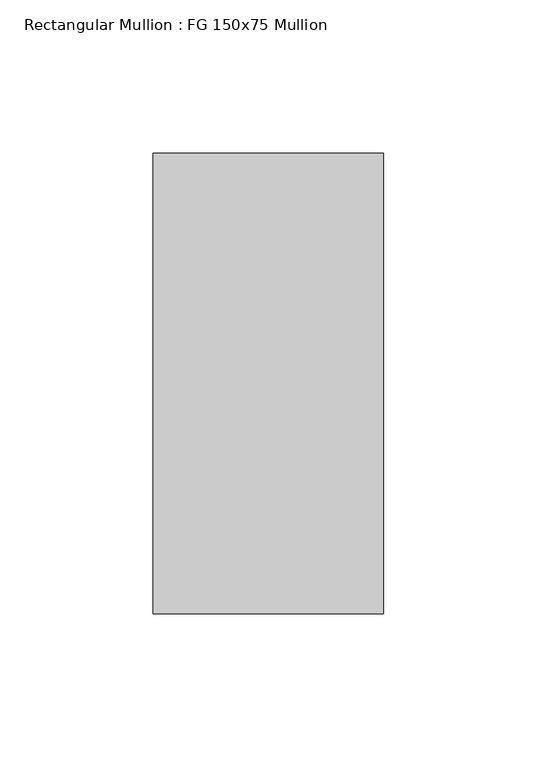
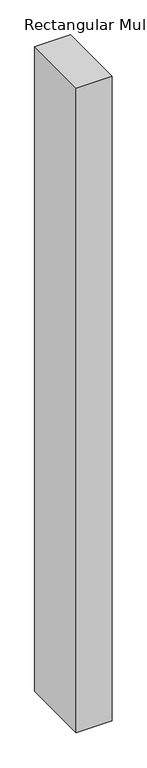
"""IFC4 building model written with IfcOpenShell, lengths in millimetres: member geometry, Rectangular Mullion : FG 150x75 Mullion."""

from ifc_helpers import new_model, si_unit, frame, origin, place, context, project, spatial, polyline, outline, extrude, source, transform, mapped, element, save


def rectangular_mullion_fg_150x75_mullion_f6686289(model_context):
    return source(origin(), model_context, "Body", "SweptSolid", [
        extrude(outline(polyline([(37.5, 75.0), (37.5, -75.0), (-37.5, -75.0), (-37.5, 75.0), (37.5, 75.0)])), frame((0.0, 0.0, -1421.5338), z_axis=(0.0, 0.0, 1.0), x_axis=(1.0, 0.0, 0.0)), (0.0, 0.0, 1.0), 1421.5338),
    ])


if __name__ == "__main__":
    model = new_model("IFC4")
    model_context = context("Model", 3, world=origin())
    ifc_project = project(units=[si_unit("LENGTHUNIT", "METRE", prefix="MILLI")], contexts=[model_context])
    site = spatial("IfcSite", under=ifc_project)
    building = spatial("IfcBuilding", under=site)
    placement = place(None, origin())
    rectangular_mullion_fg_150x75_mullion_shape = rectangular_mullion_fg_150x75_mullion_f6686289(model_context)
    element("IfcMember", 1, ObjectType="Rectangular Mullion : FG 150x75 Mullion", at=placement, inside=building, context=model_context, shape_type="MappedRepresentation", body=[
        mapped(rectangular_mullion_fg_150x75_mullion_shape, transform((0.0, 0.0, 0.0), x_axis=(1.0, 0.0, 0.0), y_axis=(0.0, 1.0, 0.0), z_axis=(0.0, 0.0, 1.0))),
    ])
    save(model, "model.ifc")
